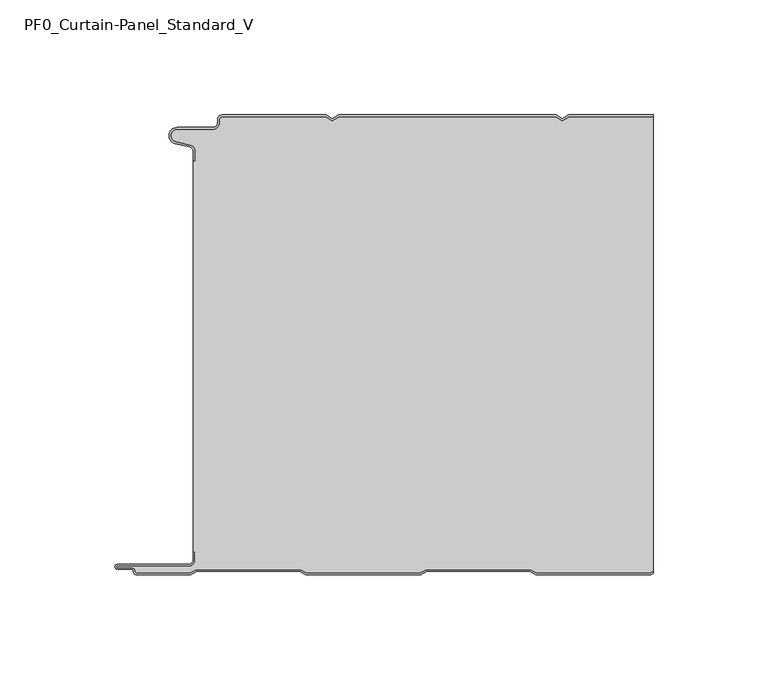
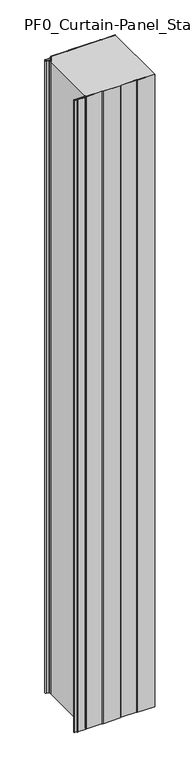
"""IFC4 building model written with IfcOpenShell, lengths in millimetres: plate geometry, PF0_Curtain-Panel_Standard_V."""

import ifcopenshell
import ifcopenshell.guid

model = None  # the IFC model being written
_history = None  # IfcOwnerHistory: only IFC2X3 demands one
_inside = {}  # id of a spatial element -> (the spatial element, [elements in it])
_under = {}  # id of a project, library or spatial element -> (it, [spatial elements below it])
_declared = {}  # id of a project -> (the project, [libraries it declares])
_typed = {}  # id of a type object -> (the type object, [elements of that type])
_made_of = {}  # id of a material, layer set ... -> (it, [elements and type objects made of it])


def new_model(schema):
    """Start an empty IFC model of exactly this schema.

    Asked for "IFC4X3", IfcOpenShell would pick the latest addendum, in which some entities
    have other attributes; the version numbers below select the first issue.
    IFC2X3 requires an IfcOwnerHistory on every rooted entity: one is made here for all.
    """
    global model, _history
    if schema == "IFC4X3":
        model = ifcopenshell.file(schema_version=(4, 3, 0, 0))
    else:
        model = ifcopenshell.file(schema=schema)
    _inside.clear()
    _under.clear()
    _declared.clear()
    _typed.clear()
    _made_of.clear()
    _history = None
    if model.schema == "IFC2X3":
        org = make("IfcOrganization", Name="unknown")
        user = make(
            "IfcPersonAndOrganization",
            ThePerson=make("IfcPerson", FamilyName="unknown"),
            TheOrganization=org,
        )
        app = make(
            "IfcApplication",
            ApplicationDeveloper=org,
            Version="unknown",
            ApplicationFullName="unknown",
            ApplicationIdentifier="unknown",
        )
        _history = make(
            "IfcOwnerHistory",
            OwningUser=user,
            OwningApplication=app,
            ChangeAction="ADDED",
            CreationDate=0,
        )
    return model


def make(cls, **values):
    """One entity of the class cls with the attributes given. An attribute that is None is left unset."""
    return model.create_entity(
        cls, **{name: value for name, value in values.items() if value is not None}
    )


def rooted(cls, **values):
    """An entity with a GlobalId (a new one), such as an element, a storey or a relation."""
    return make(cls, GlobalId=ifcopenshell.guid.new(), OwnerHistory=_history, **values)


def si_unit(unit_type, name, prefix=None):
    """IfcSIUnit, for example si_unit("LENGTHUNIT", "METRE", prefix="MILLI")."""
    return make("IfcSIUnit", UnitType=unit_type, Prefix=prefix, Name=name)


def assignment(units):
    """IfcUnitAssignment: the units of a project."""
    return None if units is None else make("IfcUnitAssignment", Units=units)


def point(xyz):
    """IfcCartesianPoint."""
    return None if xyz is None else make("IfcCartesianPoint", Coordinates=xyz)


def direction(xyz):
    """IfcDirection."""
    return None if xyz is None else make("IfcDirection", DirectionRatios=xyz)


def frame(location, z_axis=None, x_axis=None):
    """IfcAxis2Placement3D, a coordinate frame: its origin and axes. An axis left out is left unset."""
    return make(
        "IfcAxis2Placement3D",
        Location=point(location),
        Axis=direction(z_axis),
        RefDirection=direction(x_axis),
    )


def frame_2d(location, x_axis=None):
    """IfcAxis2Placement2D, a coordinate frame in the plane: its origin and x axis."""
    return make(
        "IfcAxis2Placement2D", Location=point(location), RefDirection=direction(x_axis)
    )


def origin():
    """The frame at (0, 0, 0) with its axes left unset."""
    return frame((0.0, 0.0, 0.0))


def origin_with_axes():
    """The frame at (0, 0, 0) with the z axis (0, 0, 1) and the x axis (1, 0, 0) written out."""
    return frame((0.0, 0.0, 0.0), z_axis=(0.0, 0.0, 1.0), x_axis=(1.0, 0.0, 0.0))


def place(relative_to, where):
    """IfcLocalPlacement: puts the frame where relative to a parent placement (None: the world)."""
    return make(
        "IfcLocalPlacement", PlacementRelTo=relative_to, RelativePlacement=where
    )


def context(
    kind, dimensions, precision=None, world=None, true_north=None, identifier=None
):
    """IfcGeometricRepresentationContext, for example the 3D "Model" context."""
    return make(
        "IfcGeometricRepresentationContext",
        ContextIdentifier=identifier,
        ContextType=kind,
        CoordinateSpaceDimension=dimensions,
        Precision=precision,
        WorldCoordinateSystem=world,
        TrueNorth=true_north,
    )


def project(units=None, contexts=None):
    """IfcProject with its units and contexts."""
    return rooted(
        "IfcProject",
        Name="project",
        RepresentationContexts=contexts,
        UnitsInContext=assignment(units),
    )


def spatial(cls, under=None, at=None, **own):
    """A site, building, storey or space (cls), placed at a placement, below another one or the project."""
    s = rooted(cls, ObjectPlacement=at, **own)
    if under is not None:
        _under.setdefault(under.id(), (under, []))[1].append(s)
    return s


def polyline(points):
    """IfcPolyline through the points."""
    return make("IfcPolyline", Points=[point(p) for p in points])


def circle_curve(where, radius):
    """IfcCircle in the frame where."""
    return make("IfcCircle", Position=where, Radius=radius)


def trimmed(basis, trim1, trim2, sense, master):
    """IfcTrimmedCurve: the piece of a basis curve between two trims."""
    return make(
        "IfcTrimmedCurve",
        BasisCurve=basis,
        Trim1=trim1,
        Trim2=trim2,
        SenseAgreement=sense,
        MasterRepresentation=master,
    )


def segment(curve, same_sense, transition):
    """IfcCompositeCurveSegment."""
    return make(
        "IfcCompositeCurveSegment",
        Transition=transition,
        SameSense=same_sense,
        ParentCurve=curve,
    )


def composite_curve(segments, self_intersect=None):
    """IfcCompositeCurve: segments joined end to end."""
    return make("IfcCompositeCurve", Segments=segments, SelfIntersect=self_intersect)


def outline(outer, holes=None, kind="AREA"):
    """IfcArbitraryClosedProfileDef: a profile drawn as a closed curve; with holes, ...WithVoids."""
    if holes is None:
        return make("IfcArbitraryClosedProfileDef", ProfileType=kind, OuterCurve=outer)
    return make(
        "IfcArbitraryProfileDefWithVoids",
        ProfileType=kind,
        OuterCurve=outer,
        InnerCurves=holes,
    )


def extrude(swept, where, along, depth):
    """IfcExtrudedAreaSolid: the profile swept, set in the frame where, extruded along a direction by depth."""
    return make(
        "IfcExtrudedAreaSolid",
        SweptArea=swept,
        Position=where,
        ExtrudedDirection=direction(along),
        Depth=depth,
    )


def shape(context_of_items, identifier, shape_type, items):
    """IfcShapeRepresentation: the items that make up one representation, for example the "Body"."""
    return make(
        "IfcShapeRepresentation",
        ContextOfItems=context_of_items,
        RepresentationIdentifier=identifier,
        RepresentationType=shape_type,
        Items=items,
    )


def source(mapping_origin, context_of_items, identifier, shape_type, items):
    """IfcRepresentationMap: a shape defined once, which mapped items show again and again."""
    return make(
        "IfcRepresentationMap",
        MappingOrigin=mapping_origin,
        MappedRepresentation=shape(context_of_items, identifier, shape_type, items),
    )


def transform(
    local_origin,
    x_axis=None,
    y_axis=None,
    z_axis=None,
    scale=None,
    scale2=None,
    scale3=None,
    uniform=True,
):
    """IfcCartesianTransformationOperator3D, or its non-uniform kind. x_axis, y_axis, z_axis: its Axis1, 2, 3."""
    if uniform:
        return make(
            "IfcCartesianTransformationOperator3D",
            Axis1=direction(x_axis),
            Axis2=direction(y_axis),
            LocalOrigin=point(local_origin),
            Scale=scale,
            Axis3=direction(z_axis),
        )
    return make(
        "IfcCartesianTransformationOperator3DnonUniform",
        Axis1=direction(x_axis),
        Axis2=direction(y_axis),
        LocalOrigin=point(local_origin),
        Scale=scale,
        Axis3=direction(z_axis),
        Scale2=scale2,
        Scale3=scale3,
    )


def mapped(mapping_source, mapping_target):
    """IfcMappedItem: shows the shape of a source again, moved by a transform."""
    return make(
        "IfcMappedItem", MappingSource=mapping_source, MappingTarget=mapping_target
    )


def made_of(thing, what):
    """Note that an element or type object is made of a material, layer set ...; save() writes the relation."""
    if what is not None:
        _made_of.setdefault(what.id(), (what, []))[1].append(thing)
    return thing


def element(
    cls,
    number,
    at=None,
    inside=None,
    cuts=None,
    type_object=None,
    material=None,
    context=None,
    identifier="Body",
    shape_type=None,
    held_by="IfcProductDefinitionShape",
    body=None,
    shapes=None,
    **own,
):
    """One element of the class cls, such as IfcWall. Its Tag is "e" and its number.

    at: its placement. inside: the storey or other place that contains it. cuts: it is an
    opening in that element (IfcRelVoidsElement). A single representation is given by context,
    identifier, shape_type and body (its items); several are given by shapes. held_by: the class
    of the entity that holds the representations. save() writes the other relations.
    """
    e = rooted(cls, Tag="e%d" % number, ObjectPlacement=at, **own)
    if body is not None:
        shapes = [shape(context, identifier, shape_type, body)]
    if shapes is not None:
        e.Representation = make(held_by, Representations=shapes)
    if inside is not None:
        _inside.setdefault(inside.id(), (inside, []))[1].append(e)
    if cuts is not None:
        rooted(
            "IfcRelVoidsElement", RelatingBuildingElement=cuts, RelatedOpeningElement=e
        )
    if type_object is not None:
        _typed.setdefault(type_object.id(), (type_object, []))[1].append(e)
    return made_of(e, material)


def aggregate(whole, parts):
    """IfcRelAggregates: a whole, such as a stair, and the parts it consists of."""
    return rooted("IfcRelAggregates", RelatingObject=whole, RelatedObjects=parts)


def save(model, path):
    """Write the relations noted so far, then the file.

    IfcRelAggregates (storeys below a building ...), IfcRelContainedInSpatialStructure (elements
    in a storey), IfcRelDefinesByType, IfcRelAssociatesMaterial and IfcRelDeclares: one each for
    every whole, place, type object, material and project.
    """
    for whole, parts in _under.values():
        aggregate(whole, parts)
    for where, things in _inside.values():
        rooted(
            "IfcRelContainedInSpatialStructure",
            RelatedElements=things,
            RelatingStructure=where,
        )
    for kind, things in _typed.values():
        rooted("IfcRelDefinesByType", RelatedObjects=things, RelatingType=kind)
    for what, things in _made_of.values():
        rooted("IfcRelAssociatesMaterial", RelatedObjects=things, RelatingMaterial=what)
    for by, libraries in _declared.values():
        rooted("IfcRelDeclares", RelatingContext=by, RelatedDefinitions=libraries)
    model.write(path)


def pf0_curtain_panel_standard_v_c775ae2e(model_context):
    return source(origin(), model_context, "Body", "SweptSolid", [
        extrude(outline(composite_curve([segment(trimmed(circle_curve(frame_2d((-102.0119739, -15.878557)), 2.0), [point((-100.0119739, -15.878557))], [point((-101.5620718, -13.9298169))], True, "CARTESIAN"), True, "CONTINUOUS"), segment(polyline([(-101.5620718, -13.9298169), (-107.7217978, -12.507732)]), True, "CONTINUOUS"), segment(trimmed(circle_curve(frame_2d((-106.9119739, -9.0)), 3.6), [point((-107.7217978, -12.507732))], [point((-106.9119739, -5.4))], False, "CARTESIAN"), True, "CONTINUOUS"), segment(polyline([(-106.9119739, -5.4), (-91.4119739, -5.4)]), True, "CONTINUOUS"), segment(trimmed(circle_curve(frame_2d((-91.4119739, -3.4)), 2.0), [point((-91.4119739, -5.4))], [point((-89.4119739, -3.4))], True, "CARTESIAN"), True, "CONTINUOUS"), segment(polyline([(-89.4119739, -3.4), (-89.4119739, -2.0)]), True, "CONTINUOUS"), segment(trimmed(circle_curve(frame_2d((-87.4119739, -2.0)), 2.0), [point((-89.4119739, -2.0))], [point((-87.4119739, 0.0))], False, "CARTESIAN"), True, "CONTINUOUS"), segment(polyline([(-87.4119739, 0.0), (-42.1119734, 0.0), (-39.4119739, -1.5588455), (-36.7119745, 0.0), (57.8880266, 0.0), (60.5880261, -1.5588455), (63.2880255, 0.0), (100.0119739, 0.0), (100.0119739, -0.8), (63.5023849, -0.8), (60.5880261, -2.482606), (57.6736672, -0.8), (-36.4976151, -0.8), (-39.4119739, -2.482606), (-42.3263328, -0.8), (-87.4119739, -0.8)]), True, "CONTINUOUS"), segment(trimmed(circle_curve(frame_2d((-87.4119739, -2.0)), 1.2), [point((-87.4119739, -0.8))], [point((-88.6119739, -2.0))], True, "CARTESIAN"), True, "CONTINUOUS"), segment(polyline([(-88.6119739, -2.0), (-88.6119739, -3.4)]), True, "CONTINUOUS"), segment(trimmed(circle_curve(frame_2d((-91.4119739, -3.4)), 2.8), [point((-88.6119739, -3.4))], [point((-91.4119739, -6.2))], False, "CARTESIAN"), True, "CONTINUOUS"), segment(polyline([(-91.4119739, -6.2), (-106.9119739, -6.2)]), True, "CONTINUOUS"), segment(trimmed(circle_curve(frame_2d((-106.9119739, -9.0)), 2.8), [point((-106.9119739, -6.2))], [point((-107.541837, -11.7282362))], True, "CARTESIAN"), True, "CONTINUOUS"), segment(polyline([(-107.541837, -11.7282362), (-101.3821109, -13.150321)]), True, "CONTINUOUS"), segment(trimmed(circle_curve(frame_2d((-102.0119739, -15.878557)), 2.8), [point((-101.3821109, -13.150321))], [point((-99.2119739, -15.878557))], False, "CARTESIAN"), True, "CONTINUOUS"), segment(polyline([(-99.2119739, -15.878557), (-99.2119739, -20.0), (-100.0119739, -20.0), (-100.0119739, -15.878557)]), True, "CONTINUOUS")], self_intersect=False)), origin_with_axes(), (0.0, 0.0, 1.0), 1945.7507136),
        extrude(outline(composite_curve([segment(polyline([(-99.2119739, -190.0), (-100.0119739, -190.0), (-100.0119739, -20.0), (-99.2119739, -20.0), (-99.2119739, -15.878557)]), True, "CONTINUOUS"), segment(trimmed(circle_curve(frame_2d((-102.0119739, -15.878557)), 2.8), [point((-99.2119739, -15.878557))], [point((-101.3821109, -13.1503208))], True, "CARTESIAN"), True, "CONTINUOUS"), segment(polyline([(-101.3821109, -13.1503208), (-107.5418369, -11.7282362)]), True, "CONTINUOUS"), segment(trimmed(circle_curve(frame_2d((-106.9119739, -9.0)), 2.8), [point((-107.5418369, -11.7282362))], [point((-106.9119739, -6.2))], False, "CARTESIAN"), True, "CONTINUOUS"), segment(polyline([(-106.9119739, -6.2), (-91.4119739, -6.2)]), True, "CONTINUOUS"), segment(trimmed(circle_curve(frame_2d((-91.4119739, -3.4)), 2.8), [point((-91.4119739, -6.2))], [point((-88.6119739, -3.4))], True, "CARTESIAN"), True, "CONTINUOUS"), segment(polyline([(-88.6119739, -3.4), (-88.6119739, -2.0)]), True, "CONTINUOUS"), segment(trimmed(circle_curve(frame_2d((-87.4119739, -2.0)), 1.2), [point((-88.6119739, -2.0))], [point((-87.4119739, -0.8))], False, "CARTESIAN"), True, "CONTINUOUS"), segment(polyline([(-87.4119739, -0.8), (-42.3263328, -0.8), (-39.4119739, -2.482606), (-36.4976151, -0.8), (57.6736672, -0.8), (60.5880261, -2.482606), (63.5023849, -0.8), (100.0119739, -0.8), (100.0119739, -198.4878024), (98.7784109, -199.2), (49.2032822, -199.2), (46.6052046, -197.7), (1.3764885, -197.7), (-1.2215891, -199.2), (-50.7967178, -199.2), (-53.3947954, -197.7), (-98.6235115, -197.7), (-101.2215891, -199.2), (-124.4119739, -199.2)]), True, "CONTINUOUS"), segment(trimmed(circle_curve(frame_2d((-124.4119739, -198.4)), 0.8), [point((-124.4119739, -199.2))], [point((-125.2119739, -198.4))], False, "CARTESIAN"), True, "CONTINUOUS"), segment(trimmed(circle_curve(frame_2d((-126.9119739, -198.6133333)), 1.7133333), [point((-125.2119739, -198.4))], [point((-126.9119739, -196.9))], True, "CARTESIAN"), True, "CONTINUOUS"), segment(polyline([(-126.9119739, -196.9), (-132.8820051, -196.9)]), True, "CONTINUOUS"), segment(trimmed(circle_curve(frame_2d((-132.8820051, -196.6)), 0.3), [point((-132.8820051, -196.9))], [point((-132.8820051, -196.3))], False, "CARTESIAN"), True, "CONTINUOUS"), segment(polyline([(-132.8820051, -196.3), (-102.0119739, -196.3)]), True, "CONTINUOUS"), segment(trimmed(circle_curve(frame_2d((-102.0119739, -193.5)), 2.8), [point((-102.0119739, -196.3))], [point((-99.2119739, -193.5))], True, "CARTESIAN"), True, "CONTINUOUS"), segment(polyline([(-99.2119739, -193.5), (-99.2119739, -190.0)]), True, "CONTINUOUS")], self_intersect=False)), origin_with_axes(), (0.0, 0.0, 1.0), 1945.7507136),
        extrude(outline(composite_curve([segment(polyline([(-100.0119739, -190.0), (-99.2119739, -190.0), (-99.2119739, -193.5)]), True, "CONTINUOUS"), segment(trimmed(circle_curve(frame_2d((-102.0119739, -193.5)), 2.8), [point((-99.2119739, -193.5))], [point((-102.0119739, -196.3))], False, "CARTESIAN"), True, "CONTINUOUS"), segment(polyline([(-102.0119739, -196.3), (-132.8820051, -196.3)]), True, "CONTINUOUS"), segment(trimmed(circle_curve(frame_2d((-132.8820051, -196.6)), 0.3), [point((-132.8820051, -196.3))], [point((-132.8820051, -196.9))], True, "CARTESIAN"), True, "CONTINUOUS"), segment(polyline([(-132.8820051, -196.9), (-126.9119739, -196.9)]), True, "CONTINUOUS"), segment(trimmed(circle_curve(frame_2d((-126.9119739, -198.6133333)), 1.7133333), [point((-126.9119739, -196.9))], [point((-125.2119739, -198.4))], False, "CARTESIAN"), True, "CONTINUOUS"), segment(trimmed(circle_curve(frame_2d((-124.4119739, -198.4)), 0.8), [point((-125.2119739, -198.4))], [point((-124.4119739, -199.2))], True, "CARTESIAN"), True, "CONTINUOUS"), segment(polyline([(-124.4119739, -199.2), (-101.2215891, -199.2), (-98.6235115, -197.7), (-53.3947954, -197.7), (-50.7967178, -199.2), (-1.2215891, -199.2), (1.3764885, -197.7), (46.6052046, -197.7), (49.2032822, -199.2), (98.7784109, -199.2), (100.0119739, -198.4878024), (100.0119739, -199.4115627), (98.9927701, -200.0), (48.988923, -200.0), (46.3908454, -198.5), (1.5908477, -198.5), (-1.0072299, -200.0), (-51.011077, -200.0), (-53.6091546, -198.5), (-98.4091523, -198.5), (-101.0072299, -200.0), (-124.4119739, -200.0)]), True, "CONTINUOUS"), segment(trimmed(circle_curve(frame_2d((-124.4119739, -198.4)), 1.6), [point((-124.4119739, -200.0))], [point((-126.0119739, -198.4))], False, "CARTESIAN"), True, "CONTINUOUS"), segment(trimmed(circle_curve(frame_2d((-126.9119739, -198.4)), 0.9), [point((-126.0119739, -198.4))], [point((-126.9119739, -197.5))], True, "CARTESIAN"), True, "CONTINUOUS"), segment(polyline([(-126.9119739, -197.5), (-133.0119739, -197.5)]), True, "CONTINUOUS"), segment(trimmed(circle_curve(frame_2d((-133.0119739, -196.5)), 1.0), [point((-133.0119739, -197.5))], [point((-133.0119739, -195.5))], False, "CARTESIAN"), True, "CONTINUOUS"), segment(polyline([(-133.0119739, -195.5), (-102.0119739, -195.5)]), True, "CONTINUOUS"), segment(trimmed(circle_curve(frame_2d((-102.0119739, -193.5)), 2.0), [point((-102.0119739, -195.5))], [point((-100.0119739, -193.5))], True, "CARTESIAN"), True, "CONTINUOUS"), segment(polyline([(-100.0119739, -193.5), (-100.0119739, -190.0)]), True, "CONTINUOUS")], self_intersect=False)), origin_with_axes(), (0.0, 0.0, 1.0), 1945.7507136),
    ])


if __name__ == "__main__":
    model = new_model("IFC4")
    model_context = context("Model", 3, world=origin())
    ifc_project = project(units=[si_unit("LENGTHUNIT", "METRE", prefix="MILLI")], contexts=[model_context])
    site = spatial("IfcSite", under=ifc_project)
    building = spatial("IfcBuilding", under=site)
    placement = place(None, origin())
    pf0_curtain_panel_standard_v_shape = pf0_curtain_panel_standard_v_c775ae2e(model_context)
    element("IfcPlate", 1, ObjectType="PF0_Curtain-Panel_Standard_V", at=placement, inside=building, context=model_context, shape_type="MappedRepresentation", body=[
        mapped(pf0_curtain_panel_standard_v_shape, transform((0.0, 0.0, 0.0), x_axis=(1.0, 0.0, 0.0), y_axis=(0.0, 1.0, 0.0), z_axis=(0.0, 0.0, 1.0))),
    ])
    save(model, "model.ifc")
